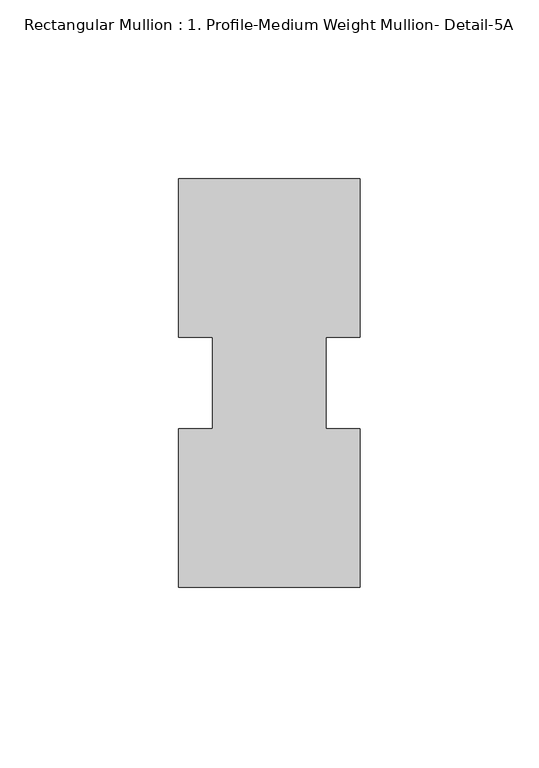
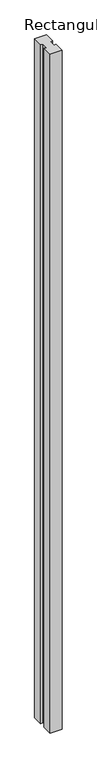
"""IFC4 building model written with IfcOpenShell, lengths in millimetres: member geometry, Rectangular Mullion : 1. Profile-Medium Weight Mullion- Detail-5A."""

from ifc_helpers import new_model, si_unit, frame, origin, place, context, project, spatial, polyline, outline, extrude, source, transform, mapped, element, save


def rectangular_mullion_1_profile_medium_weight_mullion_detail_daa6a623(model_context):
    return source(origin(), model_context, "Body", "SweptSolid", [
        extrude(outline(polyline([(25.4, 57.1500317), (25.4, 12.7550344), (15.875, 12.7550344), (15.875, -12.732664), (25.4, -12.732664), (25.4, -57.1499683), (-25.4, -57.1498667), (-25.4, -12.732664), (-15.875, -12.732664), (-15.875, 12.7550344), (-25.4, 12.7550344), (-25.4, 57.1501333), (25.4, 57.1500317)])), frame((0.0, 0.0, -3048.0), z_axis=(0.0, 0.0, 1.0), x_axis=(1.0, 0.0, 0.0)), (0.0, 0.0, 1.0), 3048.0),
    ])


if __name__ == "__main__":
    model = new_model("IFC4")
    model_context = context("Model", 3, world=origin())
    ifc_project = project(units=[si_unit("LENGTHUNIT", "METRE", prefix="MILLI")], contexts=[model_context])
    site = spatial("IfcSite", under=ifc_project)
    building = spatial("IfcBuilding", under=site)
    placement = place(None, origin())
    rectangular_mullion_1_profile_medium_weight_mullion_detail_shape = rectangular_mullion_1_profile_medium_weight_mullion_detail_daa6a623(model_context)
    element("IfcMember", 1, ObjectType="Rectangular Mullion : 1. Profile-Medium Weight Mullion- Detail-5A", at=placement, inside=building, context=model_context, shape_type="MappedRepresentation", body=[
        mapped(rectangular_mullion_1_profile_medium_weight_mullion_detail_shape, transform((0.0, 0.0, 0.0), x_axis=(1.0, 0.0, 0.0), y_axis=(0.0, 1.0, 0.0), z_axis=(0.0, 0.0, 1.0))),
    ])
    save(model, "model.ifc")
